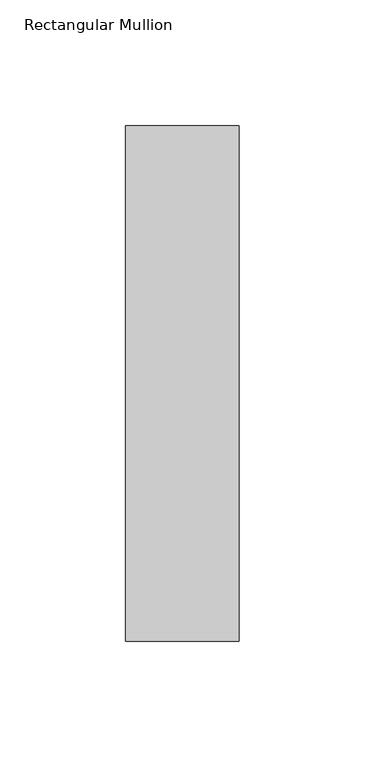
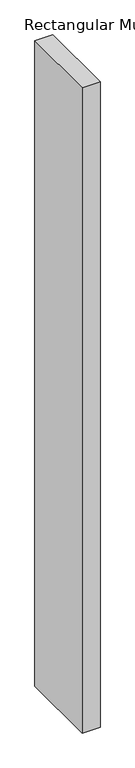
"""IFC4 building model written with IfcOpenShell, lengths in millimetres: member geometry, Rectangular Mullion."""

from ifc_helpers import new_model, si_unit, frame, origin, place, context, project, spatial, polyline, outline, extrude, source, transform, mapped, element, save


def rectangular_mullion_f4efd712(model_context):
    return source(origin(), model_context, "Body", "SweptSolid", [
        extrude(outline(polyline([(22.5, 157.84375), (22.5, -46.84375), (-22.5, -46.84375), (-22.5, 157.84375), (22.5, 157.84375)])), frame((0.0, 0.0, -1708.8912252), z_axis=(0.0, 0.0, 1.0), x_axis=(1.0, 0.0, 0.0)), (0.0, 0.0, 1.0), 1708.8912252),
    ])


if __name__ == "__main__":
    model = new_model("IFC4")
    model_context = context("Model", 3, world=origin())
    ifc_project = project(units=[si_unit("LENGTHUNIT", "METRE", prefix="MILLI")], contexts=[model_context])
    site = spatial("IfcSite", under=ifc_project)
    building = spatial("IfcBuilding", under=site)
    placement = place(None, origin())
    rectangular_mullion_shape = rectangular_mullion_f4efd712(model_context)
    element("IfcMember", 1, ObjectType="Rectangular Mullion", at=placement, inside=building, context=model_context, shape_type="MappedRepresentation", body=[
        mapped(rectangular_mullion_shape, transform((0.0, 0.0, 0.0), x_axis=(1.0, 0.0, 0.0), y_axis=(0.0, 1.0, 0.0), z_axis=(0.0, 0.0, 1.0))),
    ])
    save(model, "model.ifc")
